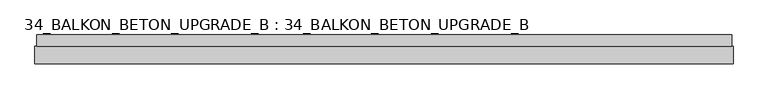
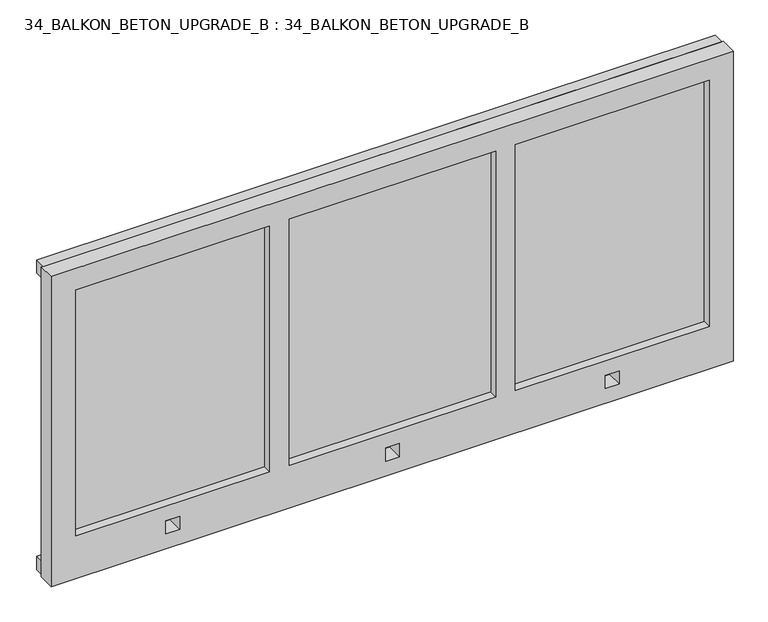
"""IFC4 building model written with IfcOpenShell, lengths in millimetres: proxy geometry, 34_BALKON_BETON_UPGRADE_B : 34_BALKON_BETON_UPGRADE_B."""

from ifc_helpers import new_model, si_unit, frame, origin, place, context, project, spatial, polyline, outline, extrude, faceted_brep, source, transform, mapped, element, save


def proxy_34_balkon_beton_upgrade_b_34_balkon_beton_upgrade_b_889b678c(model_context):
    return source(origin(), model_context, "Body", "SolidModel", [
        extrude(outline(polyline([(0.0, 171.0), (2400.0, 171.0), (2400.0, 131.0), (0.0, 131.0), (0.0, 171.0)])), frame((0.0, 0.0, -160.0), z_axis=(0.0, 0.0, 1.0), x_axis=(1.0, 0.0, 0.0)), (0.0, 0.0, 1.0), 50.1252074),
        extrude(outline(polyline([(0.0, 171.0), (2400.0, 171.0), (2400.0, 131.0), (0.0, 131.0), (0.0, 171.0)])), frame((0.0, 0.0, 949.8747926), z_axis=(0.0, 0.0, 1.0), x_axis=(1.0, 0.0, 0.0)), (0.0, 0.0, 1.0), 50.1252074),
        faceted_brep([(2404.9346322, 71.0, 1000.0), (2404.9346322, 131.0, 1000.0), (-6.8377708, 131.0, 1000.0), (-6.8377708, 71.0, 1000.0), (2404.9346322, 71.0, -160.0), (-6.8377708, 71.0, -160.0), (-6.8377708, 131.0, -160.0), (2404.9346322, 131.0, -160.0), (80.0, 71.0, 920.0866276), (764.7878361, 71.0, 920.0866276), (764.7878361, 71.0, 0.0), (80.0, 71.0, 0.0), (398.0, 71.0, -55.4898511), (447.0, 71.0, -55.4898511), (447.0, 71.0, -104.5186216), (398.0, 71.0, -104.5186216), (835.0, 71.0, 920.0866276), (1564.9346322, 71.0, 920.0866276), (1564.9346322, 71.0, 0.0), (835.0, 71.0, 0.0), (1635.0, 71.0, 920.0866276), (2319.772068, 71.0, 920.0866276), (2319.772068, 71.0, 0.0), (1635.0, 71.0, 0.0), (1175.5, 71.0, -55.4898511), (1224.5, 71.0, -55.4898511), (1224.5, 71.0, -104.5186216), (1175.5, 71.0, -104.5186216), (1953.0, 71.0, -55.4898511), (2002.0, 71.0, -55.4898511), (2002.0, 71.0, -104.5186216), (1953.0, 71.0, -104.5186216), (80.0, 101.0, 920.0866276), (764.7878361, 101.0, 920.0866276), (764.7878361, 101.0, 0.0), (80.0, 101.0, 0.0), (398.0, 130.0, -55.4898511), (447.0, 130.0, -55.4898511), (447.0, 130.0, -104.5186216), (398.0, 130.0, -104.5186216), (835.0, 101.0, 920.0866276), (1564.9346322, 101.0, 920.0866276), (1564.9346322, 101.0, 0.0), (835.0, 101.0, 0.0), (1635.0, 101.0, 920.0866276), (2319.772068, 101.0, 920.0866276), (2319.772068, 101.0, 0.0), (1635.0, 101.0, 0.0), (1175.5, 130.0, -55.4898511), (1224.5, 130.0, -55.4898511), (1224.5, 130.0, -104.5186216), (1175.5, 130.0, -104.5186216), (1953.0, 130.0, -55.4898511), (2002.0, 130.0, -55.4898511), (2002.0, 130.0, -104.5186216), (1953.0, 130.0, -104.5186216)], [[[0, 1, 2, 3]], [[4, 5, 6, 7]], [[1, 0, 4, 7]], [[2, 1, 7, 6]], [[3, 2, 6, 5]], [[0, 3, 5, 4], [8, 9, 10, 11], [12, 13, 14, 15], [16, 17, 18, 19], [20, 21, 22, 23], [24, 25, 26, 27], [28, 29, 30, 31]], [[32, 33, 9, 8]], [[34, 35, 11, 10]], [[33, 32, 35, 34]], [[35, 32, 8, 11]], [[33, 34, 10, 9]], [[36, 37, 13, 12]], [[38, 39, 15, 14]], [[37, 38, 14, 13]], [[37, 36, 39, 38]], [[39, 36, 12, 15]], [[40, 41, 17, 16]], [[42, 43, 19, 18]], [[41, 40, 43, 42]], [[43, 40, 16, 19]], [[41, 42, 18, 17]], [[44, 45, 21, 20]], [[46, 47, 23, 22]], [[45, 44, 47, 46]], [[47, 44, 20, 23]], [[45, 46, 22, 21]], [[48, 49, 25, 24]], [[50, 51, 27, 26]], [[51, 48, 24, 27]], [[49, 48, 51, 50]], [[49, 50, 26, 25]], [[52, 53, 29, 28]], [[54, 55, 31, 30]], [[55, 52, 28, 31]], [[53, 52, 55, 54]], [[53, 54, 30, 29]]]),
    ])


if __name__ == "__main__":
    model = new_model("IFC4")
    model_context = context("Model", 3, world=origin())
    ifc_project = project(units=[si_unit("LENGTHUNIT", "METRE", prefix="MILLI")], contexts=[model_context])
    site = spatial("IfcSite", under=ifc_project)
    building = spatial("IfcBuilding", under=site)
    placement = place(None, origin())
    proxy_34_balkon_beton_upgrade_b_34_balkon_beton_upgrade_b_shape = proxy_34_balkon_beton_upgrade_b_34_balkon_beton_upgrade_b_889b678c(model_context)
    element("IfcBuildingElementProxy", 1, Name="34_BALKON_BETON_UPGRADE_B : 34_BALKON_BETON_UPGRADE_B", ObjectType="34_BALKON_BETON_UPGRADE_B : 34_BALKON_BETON_UPGRADE_B", at=placement, inside=building, context=model_context, shape_type="MappedRepresentation", body=[
        mapped(proxy_34_balkon_beton_upgrade_b_34_balkon_beton_upgrade_b_shape, transform((0.0, 0.0, 0.0), x_axis=(1.0, 0.0, 0.0), y_axis=(0.0, 1.0, 0.0), z_axis=(0.0, 0.0, 1.0))),
    ])
    save(model, "model.ifc")
